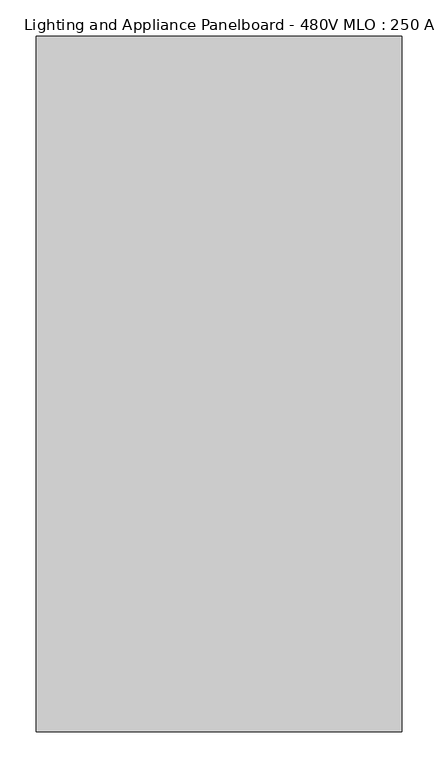
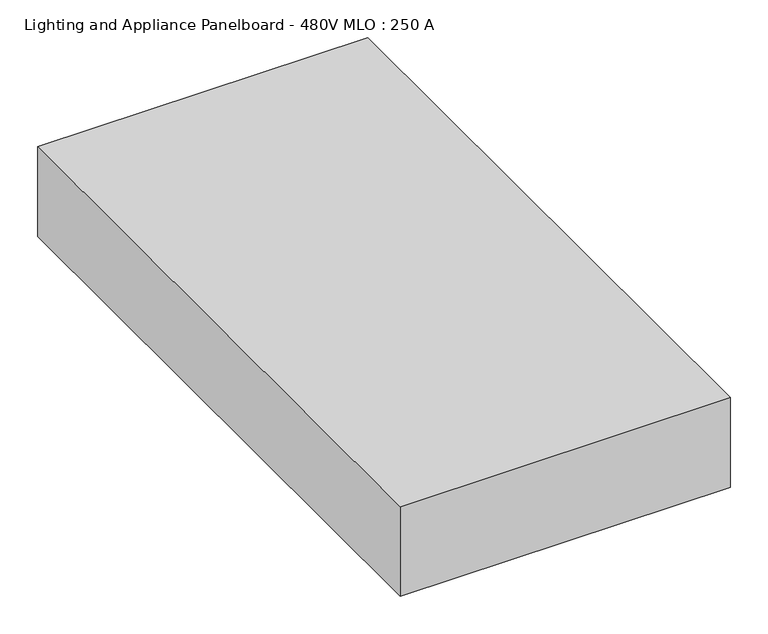
"""IFC4 building model written with IfcOpenShell, lengths in millimetres: proxy geometry, Lighting and Appliance Panelboard - 480V MLO : 250 A."""

from ifc_helpers import new_model, si_unit, frame, origin, place, context, project, spatial, polyline, outline, extrude, source, transform, mapped, element, save


def lighting_and_appliance_panelboard_480v_mlo_250_a_2bd5be36(model_context):
    return source(origin(), model_context, "Body", "SweptSolid", [
        extrude(outline(polyline([(254.0, 856.4725953), (254.0, -108.7274047), (-254.0, -108.7274047), (-254.0, 856.4725953), (254.0, 856.4725953)])), frame((0.0, 0.0, -146.05), z_axis=(0.0, 0.0, 1.0), x_axis=(1.0, 0.0, 0.0)), (0.0, 0.0, 1.0), 146.05),
    ])


if __name__ == "__main__":
    model = new_model("IFC4")
    model_context = context("Model", 3, world=origin())
    ifc_project = project(units=[si_unit("LENGTHUNIT", "METRE", prefix="MILLI")], contexts=[model_context])
    site = spatial("IfcSite", under=ifc_project)
    building = spatial("IfcBuilding", under=site)
    placement = place(None, origin())
    lighting_and_appliance_panelboard_480v_mlo_250_a_shape = lighting_and_appliance_panelboard_480v_mlo_250_a_2bd5be36(model_context)
    element("IfcBuildingElementProxy", 1, Name="Lighting and Appliance Panelboard - 480V MLO : 250 A", ObjectType="Lighting and Appliance Panelboard - 480V MLO : 250 A", at=placement, inside=building, context=model_context, shape_type="MappedRepresentation", body=[
        mapped(lighting_and_appliance_panelboard_480v_mlo_250_a_shape, transform((0.0, 0.0, 0.0), x_axis=(1.0, 0.0, 0.0), y_axis=(0.0, 1.0, 0.0), z_axis=(0.0, 0.0, 1.0))),
    ])
    save(model, "model.ifc")
